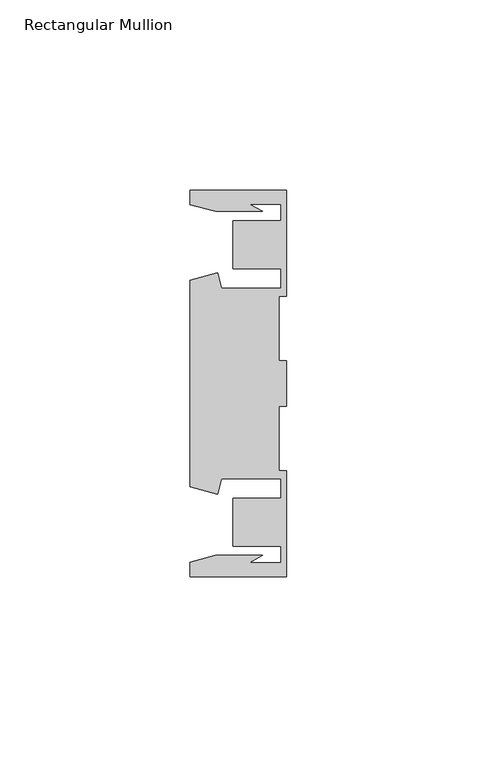
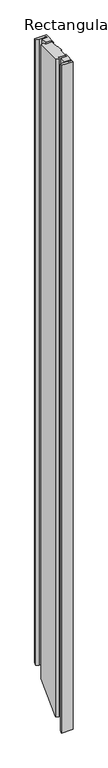
"""IFC4 building model written with IfcOpenShell, lengths in millimetres: member geometry, Rectangular Mullion."""

from ifc_helpers import new_model, si_unit, origin, place, context, project, spatial, faceted_brep, source, transform, mapped, element, save


def rectangular_mullion_9881bb6f(model_context):
    return source(origin(), model_context, "Body", "Brep", [
        faceted_brep([(-25.4, 50.7954622, 0.0), (-25.4, 46.9998463, 0.0), (-18.7113002, 45.2076146, 0.0), (-6.3834869, 45.2076146, 0.0), (-9.7005662, 47.1227313, 0.0), (-1.4138425, 47.1227313, 0.0), (-1.4138425, 42.8128906, 0.0), (-14.1138425, 42.8128906, 0.0), (-14.1138425, 30.1128906, 0.0), (-1.4138425, 30.1128906, 0.0), (-1.4138425, 25.0120132, 0.0), (-17.1094033, 25.0120132, 0.0), (-18.2017212, 29.0885993, 0.0), (-25.4, 27.1598263, 0.0), (-25.4, -27.1598263, 0.0), (-18.2017212, -29.0885993, 0.0), (-17.1094033, -25.0120132, 0.0), (-1.4138425, -25.0120132, 0.0), (-1.4138425, -30.1128906, 0.0), (-14.1138425, -30.1128906, 0.0), (-14.1138425, -42.8128906, 0.0), (-1.4138425, -42.8128906, 0.0), (-1.4138425, -47.1227313, 0.0), (-9.7005662, -47.1227313, 0.0), (-6.3834869, -45.2076146, 0.0), (-18.7113002, -45.2076146, 0.0), (-25.4, -46.9998463, 0.0), (-25.4, -50.7954622, 0.0), (0.0, -50.7954622, 0.0), (0.0, -22.9938072, 0.0), (-2.0000011, -22.9938072, 0.0), (-2.0000011, -6.0000032, 0.0), (0.0, -6.0000032, 0.0), (0.0, 6.0000032, 0.0), (-2.0000011, 6.0000032, 0.0), (-2.0000011, 22.9938072, 0.0), (0.0, 22.9938072, 0.0), (0.0, 50.7954622, 0.0), (-25.4, 50.7954622, -1440.5473949), (-25.4, 46.9998463, -1444.3430108), (-18.7113002, 45.2076146, -1446.1352425), (-6.3834869, 45.2076146, -1446.1352425), (-9.7005662, 47.1227313, -1444.2201258), (-1.4138425, 47.1227313, -1444.2201258), (-1.4138425, 42.8128906, -1448.5299665), (-14.1138425, 42.8128906, -1448.5299665), (-14.1138425, 30.1128906, -1461.2299665), (-1.4138425, 30.1128906, -1461.2299665), (-1.4138425, 25.0120132, -1466.3308439), (-17.1094033, 25.0120132, -1466.3308439), (-18.2017212, 29.0885993, -1462.2542578), (-25.4, 27.1598263, -1464.1830308), (-25.4, -27.1598263, -1518.5026834), (-18.2017212, -29.0885993, -1520.4314564), (-17.1094033, -25.0120132, -1516.3548704), (-1.4138425, -25.0120132, -1516.3548704), (-1.4138425, -30.1128906, -1521.4557478), (-14.1138425, -30.1128906, -1521.4557478), (-14.1138425, -42.8128906, -1534.1557478), (-1.4138425, -42.8128906, -1534.1557478), (-1.4138425, -47.1227313, -1538.4655884), (-9.7005662, -47.1227313, -1538.4655884), (-6.3834869, -45.2076146, -1536.5504718), (-18.7113002, -45.2076146, -1536.5504718), (-25.4, -46.9998463, -1538.3427035), (-25.4, -50.7954622, -1542.1383194), (0.0, -50.7954622, -1542.1383194), (0.0, -22.9938072, -1514.3366643), (-2.0000011, -22.9938072, -1514.3366643), (-2.0000011, -6.0000032, -1497.3428604), (0.0, -6.0000032, -1497.3428604), (0.0, 6.0000032, -1485.3428539), (-2.0000011, 6.0000032, -1485.3428539), (-2.0000011, 22.9938072, -1468.34905), (0.0, 22.9938072, -1468.34905), (0.0, 50.7954622, -1440.5473949)], [[[0, 1, 2, 3, 4, 5, 6, 7, 8, 9, 10, 11, 12, 13, 14, 15, 16, 17, 18, 19, 20, 21, 22, 23, 24, 25, 26, 27, 28, 29, 30, 31, 32, 33, 34, 35, 36, 37]], [[1, 0, 38, 39]], [[2, 1, 39, 40]], [[3, 2, 40, 41]], [[4, 3, 41, 42]], [[5, 4, 42, 43]], [[6, 5, 43, 44]], [[7, 6, 44, 45]], [[8, 7, 45, 46]], [[9, 8, 46, 47]], [[10, 9, 47, 48]], [[11, 10, 48, 49]], [[12, 11, 49, 50]], [[13, 12, 50, 51]], [[14, 13, 51, 52]], [[15, 14, 52, 53]], [[16, 15, 53, 54]], [[17, 16, 54, 55]], [[18, 17, 55, 56]], [[19, 18, 56, 57]], [[20, 19, 57, 58]], [[21, 20, 58, 59]], [[22, 21, 59, 60]], [[23, 22, 60, 61]], [[24, 23, 61, 62]], [[25, 24, 62, 63]], [[26, 25, 63, 64]], [[27, 26, 64, 65]], [[28, 27, 65, 66]], [[29, 28, 66, 67]], [[30, 29, 67, 68]], [[31, 30, 68, 69]], [[32, 31, 69, 70]], [[33, 32, 70, 71]], [[34, 33, 71, 72]], [[35, 34, 72, 73]], [[36, 35, 73, 74]], [[37, 36, 74, 75]], [[0, 37, 75, 38]], [[38, 75, 74, 73, 72, 71, 70, 69, 68, 67, 66, 65, 64, 63, 62, 61, 60, 59, 58, 57, 56, 55, 54, 53, 52, 51, 50, 49, 48, 47, 46, 45, 44, 43, 42, 41, 40, 39]]]),
    ])


if __name__ == "__main__":
    model = new_model("IFC4")
    model_context = context("Model", 3, world=origin())
    ifc_project = project(units=[si_unit("LENGTHUNIT", "METRE", prefix="MILLI")], contexts=[model_context])
    site = spatial("IfcSite", under=ifc_project)
    building = spatial("IfcBuilding", under=site)
    placement = place(None, origin())
    rectangular_mullion_shape = rectangular_mullion_9881bb6f(model_context)
    element("IfcMember", 1, ObjectType="Rectangular Mullion", at=placement, inside=building, context=model_context, shape_type="MappedRepresentation", body=[
        mapped(rectangular_mullion_shape, transform((0.0, 0.0, 0.0), x_axis=(1.0, 0.0, 0.0), y_axis=(0.0, 1.0, 0.0), z_axis=(0.0, 0.0, 1.0))),
    ])
    save(model, "model.ifc")
